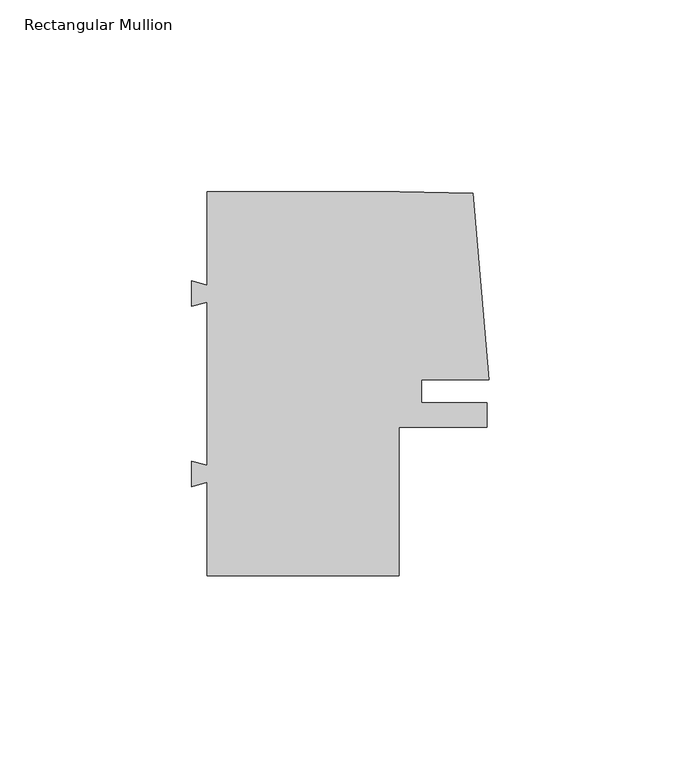
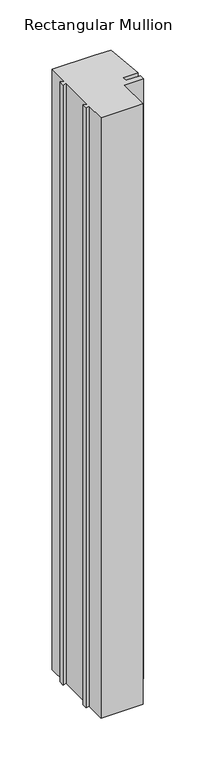
"""IFC4 building model written with IfcOpenShell, lengths in millimetres: member geometry, Rectangular Mullion."""

from ifc_helpers import new_model, si_unit, frame, origin, place, context, project, spatial, polyline, outline, extrude, source, transform, mapped, element, save


def rectangular_mullion_272bd66a(model_context):
    return source(origin(), model_context, "Body", "SweptSolid", [
        extrude(outline(polyline([(30.9361854, -3.0000086), (48.0000056, -3.000007), (48.0000056, -9.2999914), (25.0000058, -9.2999914), (25.0000058, -48.000007), (-25.0000002, -48.000007), (-25.0000002, -23.7174688), (-28.9999927, -24.789264), (-28.9999927, -18.2107341), (-25.0000002, -19.2825284), (-25.0000002, 23.2825325), (-28.9999973, 22.210736), (-28.9999973, 28.7892659), (-25.0000002, 27.7174703), (-25.0000002, 51.9999859), (25.1911519, 51.9999908), (44.2980202, 51.584626), (48.5486281, 3.0000104), (30.9361849, 3.0000086), (30.9361854, -3.0000086)])), frame((0.0, 0.0, -749.999978), z_axis=(0.0, 0.0, 1.0), x_axis=(1.0, 0.0, 0.0)), (0.0, 0.0, 1.0), 749.999978),
    ])


if __name__ == "__main__":
    model = new_model("IFC4")
    model_context = context("Model", 3, world=origin())
    ifc_project = project(units=[si_unit("LENGTHUNIT", "METRE", prefix="MILLI")], contexts=[model_context])
    site = spatial("IfcSite", under=ifc_project)
    building = spatial("IfcBuilding", under=site)
    placement = place(None, origin())
    rectangular_mullion_shape = rectangular_mullion_272bd66a(model_context)
    element("IfcMember", 1, ObjectType="Rectangular Mullion", at=placement, inside=building, context=model_context, shape_type="MappedRepresentation", body=[
        mapped(rectangular_mullion_shape, transform((0.0, 0.0, 0.0), x_axis=(1.0, 0.0, 0.0), y_axis=(0.0, 1.0, 0.0), z_axis=(0.0, 0.0, 1.0))),
    ])
    save(model, "model.ifc")
